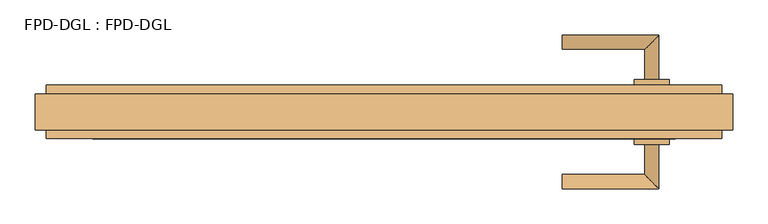
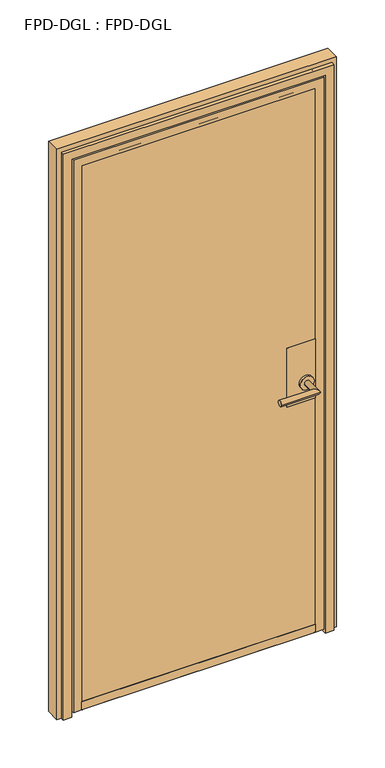
"""IFC4 building model written with IfcOpenShell, lengths in millimetres: door geometry, FPD-DGL : FPD-DGL."""

import ifcopenshell
import ifcopenshell.guid

model = None  # the IFC model being written
_history = None  # IfcOwnerHistory: only IFC2X3 demands one
_inside = {}  # id of a spatial element -> (the spatial element, [elements in it])
_under = {}  # id of a project, library or spatial element -> (it, [spatial elements below it])
_declared = {}  # id of a project -> (the project, [libraries it declares])
_typed = {}  # id of a type object -> (the type object, [elements of that type])
_made_of = {}  # id of a material, layer set ... -> (it, [elements and type objects made of it])


def new_model(schema):
    """Start an empty IFC model of exactly this schema.

    Asked for "IFC4X3", IfcOpenShell would pick the latest addendum, in which some entities
    have other attributes; the version numbers below select the first issue.
    IFC2X3 requires an IfcOwnerHistory on every rooted entity: one is made here for all.
    """
    global model, _history
    if schema == "IFC4X3":
        model = ifcopenshell.file(schema_version=(4, 3, 0, 0))
    else:
        model = ifcopenshell.file(schema=schema)
    _inside.clear()
    _under.clear()
    _declared.clear()
    _typed.clear()
    _made_of.clear()
    _history = None
    if model.schema == "IFC2X3":
        org = make("IfcOrganization", Name="unknown")
        user = make(
            "IfcPersonAndOrganization",
            ThePerson=make("IfcPerson", FamilyName="unknown"),
            TheOrganization=org,
        )
        app = make(
            "IfcApplication",
            ApplicationDeveloper=org,
            Version="unknown",
            ApplicationFullName="unknown",
            ApplicationIdentifier="unknown",
        )
        _history = make(
            "IfcOwnerHistory",
            OwningUser=user,
            OwningApplication=app,
            ChangeAction="ADDED",
            CreationDate=0,
        )
    return model


def make(cls, **values):
    """One entity of the class cls with the attributes given. An attribute that is None is left unset."""
    return model.create_entity(
        cls, **{name: value for name, value in values.items() if value is not None}
    )


def rooted(cls, **values):
    """An entity with a GlobalId (a new one), such as an element, a storey or a relation."""
    return make(cls, GlobalId=ifcopenshell.guid.new(), OwnerHistory=_history, **values)


def si_unit(unit_type, name, prefix=None):
    """IfcSIUnit, for example si_unit("LENGTHUNIT", "METRE", prefix="MILLI")."""
    return make("IfcSIUnit", UnitType=unit_type, Prefix=prefix, Name=name)


def assignment(units):
    """IfcUnitAssignment: the units of a project."""
    return None if units is None else make("IfcUnitAssignment", Units=units)


def point(xyz):
    """IfcCartesianPoint."""
    return None if xyz is None else make("IfcCartesianPoint", Coordinates=xyz)


def direction(xyz):
    """IfcDirection."""
    return None if xyz is None else make("IfcDirection", DirectionRatios=xyz)


def frame(location, z_axis=None, x_axis=None):
    """IfcAxis2Placement3D, a coordinate frame: its origin and axes. An axis left out is left unset."""
    return make(
        "IfcAxis2Placement3D",
        Location=point(location),
        Axis=direction(z_axis),
        RefDirection=direction(x_axis),
    )


def frame_2d(location, x_axis=None):
    """IfcAxis2Placement2D, a coordinate frame in the plane: its origin and x axis."""
    return make(
        "IfcAxis2Placement2D", Location=point(location), RefDirection=direction(x_axis)
    )


def origin():
    """The frame at (0, 0, 0) with its axes left unset."""
    return frame((0.0, 0.0, 0.0))


def place(relative_to, where):
    """IfcLocalPlacement: puts the frame where relative to a parent placement (None: the world)."""
    return make(
        "IfcLocalPlacement", PlacementRelTo=relative_to, RelativePlacement=where
    )


def context(
    kind, dimensions, precision=None, world=None, true_north=None, identifier=None
):
    """IfcGeometricRepresentationContext, for example the 3D "Model" context."""
    return make(
        "IfcGeometricRepresentationContext",
        ContextIdentifier=identifier,
        ContextType=kind,
        CoordinateSpaceDimension=dimensions,
        Precision=precision,
        WorldCoordinateSystem=world,
        TrueNorth=true_north,
    )


def project(units=None, contexts=None):
    """IfcProject with its units and contexts."""
    return rooted(
        "IfcProject",
        Name="project",
        RepresentationContexts=contexts,
        UnitsInContext=assignment(units),
    )


def spatial(cls, under=None, at=None, **own):
    """A site, building, storey or space (cls), placed at a placement, below another one or the project."""
    s = rooted(cls, ObjectPlacement=at, **own)
    if under is not None:
        _under.setdefault(under.id(), (under, []))[1].append(s)
    return s


def polyline(points):
    """IfcPolyline through the points."""
    return make("IfcPolyline", Points=[point(p) for p in points])


def circle_curve(where, radius):
    """IfcCircle in the frame where."""
    return make("IfcCircle", Position=where, Radius=radius)


def ellipse_curve(where, semi_axis1, semi_axis2):
    """IfcEllipse in the frame where."""
    return make(
        "IfcEllipse", Position=where, SemiAxis1=semi_axis1, SemiAxis2=semi_axis2
    )


def trimmed(basis, trim1, trim2, sense, master):
    """IfcTrimmedCurve: the piece of a basis curve between two trims."""
    return make(
        "IfcTrimmedCurve",
        BasisCurve=basis,
        Trim1=trim1,
        Trim2=trim2,
        SenseAgreement=sense,
        MasterRepresentation=master,
    )


def segment(curve, same_sense, transition):
    """IfcCompositeCurveSegment."""
    return make(
        "IfcCompositeCurveSegment",
        Transition=transition,
        SameSense=same_sense,
        ParentCurve=curve,
    )


def composite_curve(segments, self_intersect=None):
    """IfcCompositeCurve: segments joined end to end."""
    return make("IfcCompositeCurve", Segments=segments, SelfIntersect=self_intersect)


def outline(outer, holes=None, kind="AREA"):
    """IfcArbitraryClosedProfileDef: a profile drawn as a closed curve; with holes, ...WithVoids."""
    if holes is None:
        return make("IfcArbitraryClosedProfileDef", ProfileType=kind, OuterCurve=outer)
    return make(
        "IfcArbitraryProfileDefWithVoids",
        ProfileType=kind,
        OuterCurve=outer,
        InnerCurves=holes,
    )


def extrude(swept, where, along, depth):
    """IfcExtrudedAreaSolid: the profile swept, set in the frame where, extruded along a direction by depth."""
    return make(
        "IfcExtrudedAreaSolid",
        SweptArea=swept,
        Position=where,
        ExtrudedDirection=direction(along),
        Depth=depth,
    )


def shape(context_of_items, identifier, shape_type, items):
    """IfcShapeRepresentation: the items that make up one representation, for example the "Body"."""
    return make(
        "IfcShapeRepresentation",
        ContextOfItems=context_of_items,
        RepresentationIdentifier=identifier,
        RepresentationType=shape_type,
        Items=items,
    )


def source(mapping_origin, context_of_items, identifier, shape_type, items):
    """IfcRepresentationMap: a shape defined once, which mapped items show again and again."""
    return make(
        "IfcRepresentationMap",
        MappingOrigin=mapping_origin,
        MappedRepresentation=shape(context_of_items, identifier, shape_type, items),
    )


def transform(
    local_origin,
    x_axis=None,
    y_axis=None,
    z_axis=None,
    scale=None,
    scale2=None,
    scale3=None,
    uniform=True,
):
    """IfcCartesianTransformationOperator3D, or its non-uniform kind. x_axis, y_axis, z_axis: its Axis1, 2, 3."""
    if uniform:
        return make(
            "IfcCartesianTransformationOperator3D",
            Axis1=direction(x_axis),
            Axis2=direction(y_axis),
            LocalOrigin=point(local_origin),
            Scale=scale,
            Axis3=direction(z_axis),
        )
    return make(
        "IfcCartesianTransformationOperator3DnonUniform",
        Axis1=direction(x_axis),
        Axis2=direction(y_axis),
        LocalOrigin=point(local_origin),
        Scale=scale,
        Axis3=direction(z_axis),
        Scale2=scale2,
        Scale3=scale3,
    )


def mapped(mapping_source, mapping_target):
    """IfcMappedItem: shows the shape of a source again, moved by a transform."""
    return make(
        "IfcMappedItem", MappingSource=mapping_source, MappingTarget=mapping_target
    )


def made_of(thing, what):
    """Note that an element or type object is made of a material, layer set ...; save() writes the relation."""
    if what is not None:
        _made_of.setdefault(what.id(), (what, []))[1].append(thing)
    return thing


def element(
    cls,
    number,
    at=None,
    inside=None,
    cuts=None,
    type_object=None,
    material=None,
    context=None,
    identifier="Body",
    shape_type=None,
    held_by="IfcProductDefinitionShape",
    body=None,
    shapes=None,
    **own,
):
    """One element of the class cls, such as IfcWall. Its Tag is "e" and its number.

    at: its placement. inside: the storey or other place that contains it. cuts: it is an
    opening in that element (IfcRelVoidsElement). A single representation is given by context,
    identifier, shape_type and body (its items); several are given by shapes. held_by: the class
    of the entity that holds the representations. save() writes the other relations.
    """
    e = rooted(cls, Tag="e%d" % number, ObjectPlacement=at, **own)
    if body is not None:
        shapes = [shape(context, identifier, shape_type, body)]
    if shapes is not None:
        e.Representation = make(held_by, Representations=shapes)
    if inside is not None:
        _inside.setdefault(inside.id(), (inside, []))[1].append(e)
    if cuts is not None:
        rooted(
            "IfcRelVoidsElement", RelatingBuildingElement=cuts, RelatedOpeningElement=e
        )
    if type_object is not None:
        _typed.setdefault(type_object.id(), (type_object, []))[1].append(e)
    return made_of(e, material)


def aggregate(whole, parts):
    """IfcRelAggregates: a whole, such as a stair, and the parts it consists of."""
    return rooted("IfcRelAggregates", RelatingObject=whole, RelatedObjects=parts)


def save(model, path):
    """Write the relations noted so far, then the file.

    IfcRelAggregates (storeys below a building ...), IfcRelContainedInSpatialStructure (elements
    in a storey), IfcRelDefinesByType, IfcRelAssociatesMaterial and IfcRelDeclares: one each for
    every whole, place, type object, material and project.
    """
    for whole, parts in _under.values():
        aggregate(whole, parts)
    for where, things in _inside.values():
        rooted(
            "IfcRelContainedInSpatialStructure",
            RelatedElements=things,
            RelatingStructure=where,
        )
    for kind, things in _typed.values():
        rooted("IfcRelDefinesByType", RelatedObjects=things, RelatingType=kind)
    for what, things in _made_of.values():
        rooted("IfcRelAssociatesMaterial", RelatedObjects=things, RelatingMaterial=what)
    for by, libraries in _declared.values():
        rooted("IfcRelDeclares", RelatingContext=by, RelatedDefinitions=libraries)
    model.write(path)


def plane_surface(at):
    """IfcPlane: the flat surface through the origin of the frame at, square to its z axis."""
    return make("IfcPlane", Position=at)


def cylinder_surface(at, radius):
    """IfcCylindricalSurface: all points at the distance radius from the z axis of the frame at."""
    return make("IfcCylindricalSurface", Position=at, Radius=radius)


def revolved_surface(curve, axis_point, axis_direction):
    """IfcSurfaceOfRevolution: the curve turned about the line through axis_point along axis_direction."""
    return make(
        "IfcSurfaceOfRevolution",
        SweptCurve=make("IfcArbitraryOpenProfileDef", ProfileType="CURVE", Curve=curve),
        AxisPosition=make("IfcAxis1Placement", Location=point(axis_point), Axis=direction(axis_direction)),
    )


def advanced_brep(points, edges, surfaces, faces):
    """IfcAdvancedBrep: a solid bounded by faces that lie on surfaces and meet in shared edges.

    An edge is (start, end): straight between two places in points (the first is 0);
    or (start, end, curve); or (start, end, curve, False) where it runs against its curve.
    A face is (place in surfaces, loops), or (place, loops, False) where it looks against
    its surface's normal. A loop lists edges by number (the first is 1), with a minus sign
    where the edge is run from its end to its start. The first loop is the outer one.
    """
    corners = [point(p) for p in points]
    vertices = [make("IfcVertexPoint", VertexGeometry=c) for c in corners]
    made = []
    for start, end, *more in edges:
        made.append(
            make(
                "IfcEdgeCurve",
                EdgeStart=vertices[start],
                EdgeEnd=vertices[end],
                EdgeGeometry=more[0] if more else make("IfcPolyline", Points=[corners[start], corners[end]]),
                SameSense=more[1] if len(more) > 1 else True,
            )
        )
    hull = []
    for where, loops, *sense in faces:
        bounds = []
        for j, loop in enumerate(loops):
            ring = [make("IfcOrientedEdge", EdgeElement=made[abs(k) - 1], Orientation=k > 0) for k in loop]
            bounds.append(
                make(
                    "IfcFaceOuterBound" if j == 0 else "IfcFaceBound",
                    Bound=make("IfcEdgeLoop", EdgeList=ring),
                    Orientation=True,
                )
            )
        hull.append(make("IfcAdvancedFace", Bounds=bounds, FaceSurface=surfaces[where], SameSense=sense[0] if sense else True))
    return make("IfcAdvancedBrep", Outer=make("IfcClosedShell", CfsFaces=hull))


def fpd_dgl_fpd_dgl_16b67cd0(model_context):
    return source(origin(), model_context, "Body", "SolidModel", [
        advanced_brep(
        [(253.353479, 90.4685221, 965.2), (253.353479, 110.5404656, 965.2), (370.2031194, 90.4685221, 965.2), (390.275063, 110.5404656, 965.2), (370.2031194, 47.8342733, 965.2), (390.275063, 47.8342733, 965.2)],
        [
            (0, 1, circle_curve(frame((253.353479, 100.5044938, 965.2), z_axis=(-1.0, 0.0, 0.0), x_axis=(0.0, 1.0, 0.0)), 10.0359718)),
            (1, 0, circle_curve(frame((253.353479, 100.5044938, 965.2), z_axis=(-1.0, 0.0, 0.0), x_axis=(0.0, 1.0, 0.0)), 10.0359718)),
            (0, 2),
            (2, 3, ellipse_curve(frame((380.2390912, 100.5044938, 965.2), z_axis=(-0.7071067811865464, 0.7071067811865488, 0.0), x_axis=(-0.7071067811865487, -0.7071067811865464, 0.0)), 14.1930074, 10.0359718)),
            (3, 1),
            (3, 2, ellipse_curve(frame((380.2390912, 100.5044938, 965.2), z_axis=(-0.7071067811865464, 0.7071067811865488, 0.0), x_axis=(-0.7071067811865487, -0.7071067811865464, 0.0)), 14.1930074, 10.0359718)),
            (4, 5, circle_curve(frame((380.2390912, 47.8342733, 965.2), z_axis=(0.0, -1.0, 0.0), x_axis=(1.0, 0.0, 0.0)), 10.0359718)),
            (5, 4, circle_curve(frame((380.2390912, 47.8342733, 965.2), z_axis=(0.0, -1.0, 0.0), x_axis=(1.0, 0.0, 0.0)), 10.0359718)),
            (2, 4),
            (5, 3),
        ],
        [
            plane_surface(frame((253.353479, 100.5044938, 965.2), z_axis=(-1.0, 0.0, 0.0), x_axis=(0.0, 0.0, 1.0))),
            cylinder_surface(frame((253.353479, 100.5044938, 965.2), z_axis=(-1.0, 0.0, 0.0), x_axis=(0.0, 1.0, 0.0)), 10.0359718),
            plane_surface(frame((380.2390912, 47.8342733, 965.2), z_axis=(0.0, -1.0, 0.0), x_axis=(0.0, 0.0, 1.0))),
            cylinder_surface(frame((380.2390912, 100.5044938, 965.2), z_axis=(0.0, 1.0, 0.0), x_axis=(1.0, 0.0, 0.0)), 10.0359718),
        ],
        [
            (0, [[1, 2]]),
            (1, [[-1, 3, 4, 5]]),
            (1, [[-2, -5, 6, -3]]),
            (2, [[7, 8]]),
            (3, [[-4, 9, -8, 10]]),
            (3, [[-6, -10, -7, -9]]),
        ],
    ),
        advanced_brep(
        [(370.2031194, -45.029812, 965.2), (390.275063, -45.029812, 965.2), (370.2031194, -87.6640607, 965.2), (390.275063, -107.7360043, 965.2), (253.353479, -87.6640607, 965.2), (253.353479, -107.7360043, 965.2)],
        [
            (0, 1, circle_curve(frame((380.2390912, -45.029812, 965.2), z_axis=(0.0, 1.0, 0.0), x_axis=(1.0, 0.0, 0.0)), 10.0359718)),
            (1, 0, circle_curve(frame((380.2390912, -45.029812, 965.2), z_axis=(0.0, 1.0, 0.0), x_axis=(1.0, 0.0, 0.0)), 10.0359718)),
            (0, 2),
            (2, 3, ellipse_curve(frame((380.2390912, -97.7000325, 965.2), z_axis=(0.7071067811865487, 0.7071067811865464, 0.0), x_axis=(-0.7071067811865464, 0.7071067811865487, 0.0)), 14.1930074, 10.0359718)),
            (3, 1),
            (3, 2, ellipse_curve(frame((380.2390912, -97.7000325, 965.2), z_axis=(0.7071067811865487, 0.7071067811865464, 0.0), x_axis=(-0.7071067811865464, 0.7071067811865487, 0.0)), 14.1930074, 10.0359718)),
            (4, 5, circle_curve(frame((253.353479, -97.7000325, 965.2), z_axis=(-1.0, 0.0, 0.0), x_axis=(0.0, -1.0, 0.0)), 10.0359718)),
            (5, 4, circle_curve(frame((253.353479, -97.7000325, 965.2), z_axis=(-1.0, 0.0, 0.0), x_axis=(0.0, -1.0, 0.0)), 10.0359718)),
            (2, 4),
            (5, 3),
        ],
        [
            plane_surface(frame((380.2390912, -45.029812, 965.2), z_axis=(0.0, 1.0, 0.0), x_axis=(0.0, 0.0, 1.0))),
            cylinder_surface(frame((380.2390912, -45.029812, 965.2), z_axis=(0.0, 1.0, 0.0), x_axis=(1.0, 0.0, 0.0)), 10.0359718),
            plane_surface(frame((253.353479, -97.7000325, 965.2), z_axis=(-1.0, 0.0, 0.0), x_axis=(0.0, 0.0, 1.0))),
            cylinder_surface(frame((380.2390912, -97.7000325, 965.2), z_axis=(1.0, 0.0, 0.0), x_axis=(0.0, -1.0, 0.0)), 10.0359718),
        ],
        [
            (0, [[1, 2]]),
            (1, [[-1, 3, 4, 5]]),
            (1, [[-2, -5, 6, -3]]),
            (2, [[7, 8]]),
            (3, [[-4, 9, -8, 10]]),
            (3, [[-6, -10, -7, -9]]),
        ],
    ),
        extrude(outline(composite_curve([segment(trimmed(circle_curve(frame_2d((965.2, 380.2390912)), 24.60625), [point((965.2, 355.6328412))], [point((965.2, 404.8453412))], False, "CARTESIAN"), True, "CONTINUOUS"), segment(trimmed(circle_curve(frame_2d((965.2, 380.2390912)), 24.60625), [point((965.2, 404.8453412))], [point((965.2, 355.6328412))], False, "CARTESIAN"), True, "CONTINUOUS")], self_intersect=False)), frame((0.0, -45.029812, 0.0), z_axis=(0.0, 1.0, 0.0), x_axis=(0.0, 0.0, 1.0)), (0.0, 0.0, 1.0), 8.3298107),
        extrude(outline(composite_curve([segment(trimmed(circle_curve(frame_2d((965.2, 380.2390912)), 24.60625), [point((965.2, 355.6328412))], [point((965.2, 404.8453412))], False, "CARTESIAN"), True, "CONTINUOUS"), segment(trimmed(circle_curve(frame_2d((965.2, 380.2390912)), 24.60625), [point((965.2, 404.8453412))], [point((965.2, 355.6328412))], False, "CARTESIAN"), True, "CONTINUOUS")], self_intersect=False)), frame((0.0, 39.4999971, 0.0), z_axis=(0.0, 1.0, 0.0), x_axis=(0.0, 0.0, 1.0)), (0.0, 0.0, 1.0), 8.3342763),
        extrude(outline(polyline([(413.7391512, -36.7000013), (313.7390386, -36.7000013), (313.7390386, -35.3000043), (413.7391512, -35.3000043), (413.7391512, -36.7000013)])), frame((0.0, 0.0, 893.55), z_axis=(0.0, 0.0, 1.0), x_axis=(1.0, 0.0, 0.0)), (0.0, 0.0, 1.0), 220.0),
        extrude(outline(polyline([(413.7391512, 38.1), (313.7390386, 38.1), (313.7390386, 39.4999971), (413.7391512, 39.4999971), (413.7391512, 38.1)])), frame((0.0, 0.0, 893.55), z_axis=(0.0, 0.0, 1.0), x_axis=(1.0, 0.0, 0.0)), (0.0, 0.0, 1.0), 220.0),
        extrude(outline(composite_curve([segment(polyline([(-26.873593, 45.8749402), (29.3264566, 45.8749402), (29.3264566, 35.2749614), (37.6994368, 35.2749614)]), True, "CONTINUOUS"), segment(trimmed(circle_curve(frame_2d((37.6994368, 35.7749604)), 0.499999), [point((37.6994368, 35.2749614))], [point((38.1994358, 35.7749604))], True, "CARTESIAN"), True, "CONTINUOUS"), segment(polyline([(38.1994358, 35.7749604), (38.1994358, 43.0952796), (38.0994361, 44.0749434), (38.0994361, 45.8749398), (39.3264365, 45.8749398), (39.3264365, 15.875), (-36.0735651, 15.875)]), True, "CONTINUOUS"), segment(trimmed(circle_curve(frame_2d((-36.0735651, 16.6749984)), 0.7999984), [point((-36.0735651, 15.875))], [point((-36.8735635, 16.6749984))], False, "CARTESIAN"), True, "CONTINUOUS"), segment(polyline([(-36.8735635, 16.6749984), (-36.8735635, 45.8749402), (-35.4735665, 45.8749402), (-35.4735665, 44.0749434), (-35.5735662, 43.0952791), (-35.5735662, 35.2749613), (-26.873593, 35.2749613), (-26.873593, 45.8749402)]), True, "CONTINUOUS")], self_intersect=False)), frame((-413.7391512, 0.0, 0.0), z_axis=(1.0, 0.0, 0.0), x_axis=(0.0, 1.0, 0.0)), (0.0, 0.0, 1.0), 827.4783024),
        extrude(outline(polyline([(424.3353224, 38.1), (424.3353224, 30.1625), (-424.3353224, 30.1625), (-424.3353224, 38.1), (424.3353224, 38.1)])), frame((0.0, 0.0, 35.2749614), z_axis=(0.0, 0.0, 1.0), x_axis=(1.0, 0.0, 0.0)), (0.0, 0.0, 1.0), 2027.360361),
        extrude(outline(polyline([(424.3353224, -27.5360664), (424.3353224, -35.4735664), (-424.3353224, -35.4735664), (-424.3353224, -27.5360664), (424.3353224, -27.5360664)])), frame((0.0, 0.0, 35.2749614), z_axis=(0.0, 0.0, 1.0), x_axis=(1.0, 0.0, 0.0)), (0.0, 0.0, 1.0), 2027.360361),
        advanced_brep(
        [(443.7283146, -36.773661, 15.875), (413.7391512, -36.773661, 15.875), (413.7391512, -35.4741304, 15.875), (424.3353224, -35.4741304, 15.875), (424.3353224, -26.7772734, 15.875), (413.7391512, -26.7772734, 15.875), (413.7391512, 29.4025787, 15.875), (424.3353223, 29.4025787, 15.875), (424.3353223, 38.0994361, 15.875), (413.7391512, 38.0994361, 15.875), (413.7391512, 39.3989664, 15.875), (432.6139413, 39.3989664, 15.875), (433.4136523, 38.5992554, 15.875), (433.4136523, 15.2497043, 15.875), (443.7283146, 15.2497043, 15.875), (443.7283146, -36.773661, 2082.0283146), (-443.7283146, -36.773661, 2082.0283146), (-443.7283146, -36.773661, 15.875), (-413.7391512, -36.773661, 15.875), (-413.7391512, -36.773661, 2052.0391512), (413.7391512, -36.773661, 2052.0391512), (413.7391512, -35.4741304, 2052.0391512), (-413.7391512, -35.4741304, 2052.0391512), (-413.7391512, -35.4741304, 15.875), (-424.3353224, -35.4741304, 15.875), (-424.3353224, -35.4741304, 2062.6353224), (424.3353224, -35.4741304, 2062.6353224), (424.3353224, -26.7772734, 2062.6353224), (-424.3353224, -26.7772734, 2062.6353224), (-424.3353224, -26.7772734, 15.875), (-413.7391512, -26.7772734, 15.875), (-413.7391512, -26.7772734, 2052.0391512), (413.7391512, -26.7772734, 2052.0391512), (413.7391512, 29.4025787, 2052.0391512), (-413.7391512, 29.4025787, 2052.0391512), (-413.7391512, 29.4025787, 15.875), (-424.3353223, 29.4025787, 15.875), (-424.3353223, 29.4025787, 2062.6353223), (424.3353223, 29.4025787, 2062.6353223), (424.3353223, 38.0994361, 2062.6353223), (-424.3353223, 38.0994361, 2062.6353223), (-424.3353223, 38.0994361, 15.875), (-413.7391512, 38.0994361, 15.875), (-413.7391512, 38.0994361, 2052.0391512), (413.7391512, 38.0994361, 2052.0391512), (413.7391512, 39.3989664, 2052.0391512), (-413.7391512, 39.3989664, 2052.0391512), (-413.7391512, 39.3989664, 15.875), (-432.6139413, 39.3989664, 15.875), (-432.6139413, 39.3989664, 2070.9139413), (432.6139413, 39.3989664, 2070.9139413), (433.4136523, 38.5992554, 2071.7136523), (433.4136523, 15.2497043, 2071.7136523), (-433.4136523, 15.2497043, 2071.7136523), (-433.4136523, 15.2497043, 15.875), (-443.7283146, 15.2497043, 15.875), (-443.7283146, 15.2497043, 2082.0283146), (443.7283146, 15.2497043, 2082.0283146), (-433.4136523, 38.5992554, 15.875), (-433.4136523, 38.5992554, 2071.7136523)],
        [
            (0, 1),
            (1, 2),
            (2, 3),
            (3, 4),
            (4, 5),
            (5, 6),
            (6, 7),
            (7, 8),
            (8, 9),
            (9, 10),
            (10, 11),
            (11, 12, circle_curve(frame((432.6139413, 38.5992554, 15.875), z_axis=(0.0, 0.0, -1.0), x_axis=(0.0, -1.0, 0.0)), 0.799711)),
            (12, 13),
            (13, 14),
            (14, 0),
            (0, 15),
            (15, 16),
            (16, 17),
            (17, 18),
            (18, 19),
            (19, 20),
            (20, 1),
            (20, 21),
            (21, 2),
            (21, 22),
            (22, 23),
            (23, 24),
            (24, 25),
            (25, 26),
            (26, 3),
            (26, 27),
            (27, 4),
            (27, 28),
            (28, 29),
            (29, 30),
            (30, 31),
            (31, 32),
            (32, 5),
            (32, 33),
            (33, 6),
            (33, 34),
            (34, 35),
            (35, 36),
            (36, 37),
            (37, 38),
            (38, 7),
            (38, 39),
            (39, 8),
            (39, 40),
            (40, 41),
            (41, 42),
            (42, 43),
            (43, 44),
            (44, 9),
            (44, 45),
            (45, 10),
            (45, 46),
            (46, 47),
            (47, 48),
            (48, 49),
            (49, 50),
            (50, 11),
            (50, 51, ellipse_curve(frame((432.6139413, 38.5992554, 2070.9139413), z_axis=(0.7071067811865475, 0.0, -0.7071067811865475), x_axis=(-0.7071067811865474, 0.0, -0.7071067811865476)), 1.1309622, 0.799711)),
            (51, 12),
            (51, 52),
            (52, 13),
            (52, 53),
            (53, 54),
            (54, 55),
            (55, 56),
            (56, 57),
            (57, 14),
            (57, 15),
            (17, 55),
            (54, 58),
            (58, 48, circle_curve(frame((-432.6139413, 38.5992554, 15.875), z_axis=(0.0, 0.0, -1.0), x_axis=(0.0, -1.0, 0.0)), 0.799711)),
            (47, 42),
            (41, 36),
            (35, 30),
            (29, 24),
            (23, 18),
            (16, 56),
            (53, 59),
            (59, 58),
            (59, 49, ellipse_curve(frame((-432.6139413, 38.5992554, 2070.9139413), z_axis=(-0.7071067811865475, 0.0, -0.7071067811865475), x_axis=(-0.7071067811865474, 0.0, 0.7071067811865476)), 1.1309622, 0.799711)),
            (46, 43),
            (40, 37),
            (34, 31),
            (28, 25),
            (22, 19),
            (59, 51),
        ],
        [
            plane_surface(frame((495.3, 1.3129348, 15.875), z_axis=(0.0, 0.0, -1.0), x_axis=(0.0, -1.0, 0.0))),
            plane_surface(frame((443.7283146, -36.773661, 15.875), z_axis=(0.0, -1.0, 0.0), x_axis=(0.0, 0.0, 1.0))),
            plane_surface(frame((413.7391512, -36.773661, 15.875), z_axis=(-1.0, 0.0, 0.0), x_axis=(0.0, 0.0, 1.0))),
            plane_surface(frame((413.7391512, -35.4741304, 15.875), z_axis=(0.0, 1.0, 0.0), x_axis=(0.0, 0.0, 1.0))),
            plane_surface(frame((424.3353224, -35.4741304, 15.875), z_axis=(-1.0, 0.0, 0.0), x_axis=(0.0, 0.0, 1.0))),
            plane_surface(frame((424.3353224, -26.7772734, 15.875), z_axis=(0.0, -1.0, 0.0), x_axis=(0.0, 0.0, 1.0))),
            plane_surface(frame((413.7391512, -26.7772734, 15.875), z_axis=(-1.0, 0.0, 0.0), x_axis=(0.0, 0.0, 1.0))),
            plane_surface(frame((413.7391512, 29.4025787, 15.875), z_axis=(0.0, 1.0, 0.0), x_axis=(0.0, 0.0, 1.0))),
            plane_surface(frame((424.3353223, 29.4025787, 15.875), z_axis=(-1.0, 0.0, 0.0), x_axis=(0.0, 0.0, 1.0))),
            plane_surface(frame((424.3353223, 38.0994361, 15.875), z_axis=(0.0, -1.0, 0.0), x_axis=(0.0, 0.0, 1.0))),
            plane_surface(frame((413.7391512, 38.0994361, 15.875), z_axis=(-1.0, 0.0, 0.0), x_axis=(0.0, 0.0, 1.0))),
            plane_surface(frame((413.7391512, 39.3989664, 15.875), z_axis=(0.0, 1.0, 0.0), x_axis=(0.0, 0.0, 1.0))),
            cylinder_surface(frame((432.6139413, 38.5992554, 15.875), z_axis=(0.0, 0.0, -1.0), x_axis=(0.0, -1.0, 0.0)), 0.799711),
            plane_surface(frame((433.4136523, 38.5992554, 15.875), z_axis=(1.0, 0.0, 0.0), x_axis=(0.0, 0.0, 1.0))),
            plane_surface(frame((433.4136523, 15.2497043, 15.875), z_axis=(0.0, 1.0, 0.0), x_axis=(0.0, 0.0, 1.0))),
            plane_surface(frame((443.7283146, 15.2497043, 15.875), z_axis=(1.0, 0.0, 0.0), x_axis=(0.0, 0.0, 1.0))),
            plane_surface(frame((-495.3, 1.3129348, 15.875), z_axis=(0.0, 0.0, -1.0), x_axis=(0.0, -1.0, 0.0))),
            plane_surface(frame((-443.7283146, 15.2497043, 2082.0283146), z_axis=(-1.0, 0.0, 0.0), x_axis=(0.0, 0.0, -1.0))),
            plane_surface(frame((-433.4136523, 38.5992554, 2071.7136523), z_axis=(-1.0, 0.0, 0.0), x_axis=(0.0, 0.0, -1.0))),
            cylinder_surface(frame((-432.6139413, 38.5992554, 2133.6), z_axis=(0.0, 0.0, 1.0), x_axis=(0.0, -1.0, 0.0)), 0.799711),
            plane_surface(frame((-413.7391512, 38.0994361, 2052.0391512), z_axis=(1.0, 0.0, 0.0), x_axis=(0.0, 0.0, -1.0))),
            plane_surface(frame((-424.3353223, 29.4025787, 2062.6353223), z_axis=(1.0, 0.0, 0.0), x_axis=(0.0, 0.0, -1.0))),
            plane_surface(frame((-413.7391512, -26.7772734, 2052.0391512), z_axis=(1.0, 0.0, 0.0), x_axis=(0.0, 0.0, -1.0))),
            plane_surface(frame((-424.3353224, -35.4741304, 2062.6353224), z_axis=(1.0, 0.0, 0.0), x_axis=(0.0, 0.0, -1.0))),
            plane_surface(frame((-413.7391512, -36.773661, 2052.0391512), z_axis=(1.0, 0.0, 0.0), x_axis=(0.0, 0.0, -1.0))),
            plane_surface(frame((413.7391512, -36.773661, 2052.0391512), z_axis=(0.0, 0.0, -1.0), x_axis=(-1.0, 0.0, 0.0))),
            plane_surface(frame((424.3353224, -35.4741304, 2062.6353224), z_axis=(0.0, 0.0, -1.0), x_axis=(-1.0, 0.0, 0.0))),
            plane_surface(frame((413.7391512, -26.7772734, 2052.0391512), z_axis=(0.0, 0.0, -1.0), x_axis=(-1.0, 0.0, 0.0))),
            plane_surface(frame((424.3353223, 29.4025787, 2062.6353223), z_axis=(0.0, 0.0, -1.0), x_axis=(-1.0, 0.0, 0.0))),
            plane_surface(frame((413.7391512, 38.0994361, 2052.0391512), z_axis=(0.0, 0.0, -1.0), x_axis=(-1.0, 0.0, 0.0))),
            cylinder_surface(frame((495.3, 38.5992554, 2070.9139413), z_axis=(1.0, 0.0, 0.0), x_axis=(0.0, -1.0, 0.0)), 0.799711),
            plane_surface(frame((433.4136523, 38.5992554, 2071.7136523), z_axis=(0.0, 0.0, 1.0), x_axis=(-1.0, 0.0, 0.0))),
            plane_surface(frame((443.7283146, 15.2497043, 2082.0283146), z_axis=(0.0, 0.0, 1.0), x_axis=(-1.0, 0.0, 0.0))),
        ],
        [
            (0, [[1, 2, 3, 4, 5, 6, 7, 8, 9, 10, 11, 12, 13, 14, 15]]),
            (1, [[-1, 16, 17, 18, 19, 20, 21, 22]]),
            (2, [[-2, -22, 23, 24]]),
            (3, [[-3, -24, 25, 26, 27, 28, 29, 30]]),
            (4, [[-4, -30, 31, 32]]),
            (5, [[-5, -32, 33, 34, 35, 36, 37, 38]]),
            (6, [[-6, -38, 39, 40]]),
            (7, [[-7, -40, 41, 42, 43, 44, 45, 46]]),
            (8, [[-8, -46, 47, 48]]),
            (9, [[-9, -48, 49, 50, 51, 52, 53, 54]]),
            (10, [[-10, -54, 55, 56]]),
            (11, [[-11, -56, 57, 58, 59, 60, 61, 62]]),
            (12, [[-12, -62, 63, 64]]),
            (13, [[-13, -64, 65, 66]]),
            (14, [[-14, -66, 67, 68, 69, 70, 71, 72]]),
            (15, [[-15, -72, 73, -16]]),
            (16, [[74, -69, 75, 76, -59, 77, -51, 78, -43, 79, -35, 80, -27, 81, -19]]),
            (17, [[82, -70, -74, -18]]),
            (18, [[83, 84, -75, -68]]),
            (19, [[85, -60, -76, -84]]),
            (20, [[86, -52, -77, -58]]),
            (21, [[87, -44, -78, -50]]),
            (22, [[88, -36, -79, -42]]),
            (23, [[89, -28, -80, -34]]),
            (24, [[90, -20, -81, -26]]),
            (25, [[-23, -21, -90, -25]]),
            (26, [[-31, -29, -89, -33]]),
            (27, [[-39, -37, -88, -41]]),
            (28, [[-47, -45, -87, -49]]),
            (29, [[-55, -53, -86, -57]]),
            (30, [[-63, -61, -85, 91]]),
            (31, [[-65, -91, -83, -67]]),
            (32, [[-73, -71, -82, -17]]),
        ],
    ),
        advanced_brep(
        [(449.2825687, -36.7733949, 0.0), (449.2825687, 15.2860271, 0.0), (448.3580671, 15.2860271, 0.0), (448.3580671, 18.9028642, 0.0), (439.0163882, 18.9028642, 0.0), (438.4560471, 19.4632053, 0.0), (438.4560471, 26.1478604, 0.0), (439.0164807, 26.7082939, 0.0), (448.7238697, 26.7082939, 0.0), (449.2836545, 27.2680787, 0.0), (449.2836545, 39.3989331, 0.0), (479.4306354, 39.3989331, 0.0), (479.4306354, 26.7038106, 0.0), (495.3, 26.7038106, 0.0), (495.3, -24.077941, 0.0), (479.4306354, -24.077941, 0.0), (479.4398079, -36.7733949, 0.0), (449.2825687, -36.7733949, 2087.5825687), (449.2825687, 15.2860271, 2087.5825687), (-449.2825687, 15.2860271, 2087.5825687), (-449.2825687, 15.2860271, 0.0), (-448.3580671, 15.2860271, 0.0), (-448.3580671, 15.2860271, 2086.6580671), (448.3580671, 15.2860271, 2086.6580671), (448.3580671, 18.9028642, 2086.6580671), (-448.3580671, 18.9028642, 2086.6580671), (-448.3580671, 18.9028642, 0.0), (-439.0163882, 18.9028642, 0.0), (-439.0163882, 18.9028642, 2077.3163882), (439.0163882, 18.9028642, 2077.3163882), (438.4560471, 19.4632053, 2076.7560471), (438.4560471, 26.1478604, 2076.7560471), (439.0164807, 26.7082939, 2077.3164807), (-439.0164807, 26.7082939, 2077.3164807), (-439.0164807, 26.7082939, 0.0), (-448.7238697, 26.7082939, 0.0), (-448.7238697, 26.7082939, 2087.0238697), (448.7238697, 26.7082939, 2087.0238697), (449.2836545, 27.2680787, 2087.5836545), (449.2836545, 39.3989331, 2087.5836545), (-449.2825687, -36.7733949, 0.0), (-479.4398079, -36.7733949, 0.0), (-479.4306354, -24.077941, 0.0), (-495.3, -24.077941, 0.0), (-495.3, 26.7038106, 0.0), (-479.4306354, 26.7038106, 0.0), (-479.4306354, 39.3989331, 0.0), (-449.2836545, 39.3989331, 0.0), (-449.2836545, 27.2680787, 0.0), (-438.4560471, 26.1478604, 0.0), (-438.4560471, 19.4632053, 0.0), (-449.2836545, 39.3989331, 2087.5836545), (-449.2836545, 27.2680787, 2087.5836545), (-438.4560471, 26.1478604, 2076.7560471), (-438.4560471, 19.4632053, 2076.7560471), (-449.2825687, -36.7733949, 2087.5825687), (-479.4306354, 39.3989331, 2117.7306354), (479.4306354, 39.3989331, 2117.7306354), (479.4306354, 26.7038106, 2117.7306354), (-479.4306354, 26.7038106, 2117.7306354), (-495.3, 26.7038106, 2133.6), (495.3, 26.7038106, 2133.6), (495.3, -24.077941, 2133.6), (-495.3, -24.077941, 2133.6), (-479.4306354, -24.077941, 2117.7306354), (479.4306354, -24.077941, 2117.7306354), (479.4398079, -36.7733949, 2117.7398079), (-479.4398079, -36.7733949, 2117.7398079)],
        [
            (0, 1),
            (1, 2),
            (2, 3),
            (3, 4),
            (4, 5, circle_curve(frame((439.0163882, 19.4632053, 0.0), z_axis=(0.0, 0.0, -1.0), x_axis=(0.0, -1.0, 0.0)), 0.5603411)),
            (5, 6),
            (6, 7, circle_curve(frame((439.0164807, 26.1478604, 0.0), z_axis=(0.0, 0.0, -1.0), x_axis=(0.0, -1.0, 0.0)), 0.5604335)),
            (7, 8),
            (8, 9, circle_curve(frame((448.7238697, 27.2680787, 0.0), z_axis=(0.0, 0.0, 1.0), x_axis=(0.0, -1.0, 0.0)), 0.5597848)),
            (9, 10),
            (10, 11),
            (11, 12),
            (12, 13),
            (13, 14),
            (14, 15),
            (15, 16),
            (16, 0),
            (0, 17),
            (17, 18),
            (18, 1),
            (18, 19),
            (19, 20),
            (20, 21),
            (21, 22),
            (22, 23),
            (23, 2),
            (23, 24),
            (24, 3),
            (24, 25),
            (25, 26),
            (26, 27),
            (27, 28),
            (28, 29),
            (29, 4),
            (29, 30, ellipse_curve(frame((439.0163882, 19.4632053, 2077.3163882), z_axis=(0.7071067811865475, 0.0, -0.7071067811865475), x_axis=(-0.7071067811865474, 0.0, -0.7071067811865476)), 0.7924419, 0.5603411)),
            (30, 5),
            (30, 31),
            (31, 6),
            (31, 32, ellipse_curve(frame((439.0164807, 26.1478604, 2077.3164807), z_axis=(0.7071067811865475, 0.0, -0.7071067811865475), x_axis=(-0.7071067811865474, 0.0, -0.7071067811865476)), 0.7925727, 0.5604335)),
            (32, 7),
            (32, 33),
            (33, 34),
            (34, 35),
            (35, 36),
            (36, 37),
            (37, 8),
            (37, 38, ellipse_curve(frame((448.7238697, 27.2680787, 2087.0238697), z_axis=(-0.7071067811865475, 0.0, 0.7071067811865475), x_axis=(0.7071067811865474, 0.0, 0.7071067811865476)), 0.7916552, 0.5597848)),
            (38, 9),
            (38, 39),
            (39, 10),
            (40, 41),
            (41, 42),
            (42, 43),
            (43, 44),
            (44, 45),
            (45, 46),
            (46, 47),
            (47, 48),
            (48, 35, circle_curve(frame((-448.7238697, 27.2680787, 0.0), z_axis=(0.0, 0.0, 1.0), x_axis=(0.0, -1.0, 0.0)), 0.5597848)),
            (34, 49, circle_curve(frame((-439.0164807, 26.1478604, 0.0), z_axis=(0.0, 0.0, -1.0), x_axis=(0.0, -1.0, 0.0)), 0.5604335)),
            (49, 50),
            (50, 27, circle_curve(frame((-439.0163882, 19.4632053, 0.0), z_axis=(0.0, 0.0, -1.0), x_axis=(0.0, -1.0, 0.0)), 0.5603411)),
            (26, 21),
            (20, 40),
            (51, 52),
            (52, 48),
            (47, 51),
            (52, 36, ellipse_curve(frame((-448.7238697, 27.2680787, 2087.0238697), z_axis=(0.7071067811865475, 0.0, 0.7071067811865475), x_axis=(0.7071067811865474, 0.0, -0.7071067811865476)), 0.7916552, 0.5597848)),
            (33, 53, ellipse_curve(frame((-439.0164807, 26.1478604, 2077.3164807), z_axis=(-0.7071067811865475, 0.0, -0.7071067811865475), x_axis=(-0.7071067811865474, 0.0, 0.7071067811865476)), 0.7925727, 0.5604335)),
            (53, 49),
            (53, 54),
            (54, 50),
            (54, 28, ellipse_curve(frame((-439.0163882, 19.4632053, 2077.3163882), z_axis=(-0.7071067811865475, 0.0, -0.7071067811865475), x_axis=(-0.7071067811865474, 0.0, 0.7071067811865476)), 0.7924419, 0.5603411)),
            (25, 22),
            (19, 55),
            (55, 40),
            (17, 55),
            (54, 30),
            (53, 31),
            (52, 38),
            (51, 39),
            (46, 56),
            (56, 57),
            (57, 11),
            (57, 58),
            (58, 12),
            (58, 59),
            (59, 45),
            (44, 60),
            (60, 61),
            (61, 13),
            (61, 62),
            (62, 14),
            (62, 63),
            (63, 43),
            (42, 64),
            (64, 65),
            (65, 15),
            (65, 66),
            (66, 16),
            (66, 67),
            (67, 41),
            (67, 64),
            (63, 60),
            (59, 56),
        ],
        [
            plane_surface(frame((495.3, 1.3129348, 0.0), z_axis=(0.0, 0.0, -1.0), x_axis=(0.0, -1.0, 0.0))),
            plane_surface(frame((449.2825687, -36.7733949, 0.0), z_axis=(-1.0, 0.0, 0.0), x_axis=(0.0, 0.0, 1.0))),
            plane_surface(frame((449.2825687, 15.2860271, 0.0), z_axis=(0.0, -1.0, 0.0), x_axis=(0.0, 0.0, 1.0))),
            plane_surface(frame((448.3580671, 15.2860271, 0.0), z_axis=(-1.0, 0.0, 0.0), x_axis=(0.0, 0.0, 1.0))),
            plane_surface(frame((448.3580671, 18.9028642, 0.0), z_axis=(0.0, -1.0, 0.0), x_axis=(0.0, 0.0, 1.0))),
            cylinder_surface(frame((439.0163882, 19.4632053, 0.0), z_axis=(0.0, 0.0, -1.0), x_axis=(0.0, -1.0, 0.0)), 0.5603411),
            plane_surface(frame((438.4560471, 19.4632053, 0.0), z_axis=(-1.0, 0.0, 0.0), x_axis=(0.0, 0.0, 1.0))),
            cylinder_surface(frame((439.0164807, 26.1478604, 0.0), z_axis=(0.0, 0.0, -1.0), x_axis=(0.0, -1.0, 0.0)), 0.5604335),
            plane_surface(frame((439.0164807, 26.7082939, 0.0), z_axis=(0.0, 1.0, 0.0), x_axis=(0.0, 0.0, 1.0))),
            revolved_surface(polyline([(448.7238697, 26.7082939, 2087.5836545), (448.7238697, 26.7082939, 0.0)]), (448.7238697, 27.2680787, 0.0), (0.0, 0.0, 1.0)),
            plane_surface(frame((449.2836545, 27.2680787, 0.0), z_axis=(-1.0, 0.0, 0.0), x_axis=(0.0, 0.0, 1.0))),
            plane_surface(frame((-495.3, 1.3129348, 0.0), z_axis=(0.0, 0.0, -1.0), x_axis=(0.0, -1.0, 0.0))),
            plane_surface(frame((-449.2836545, 27.2680787, 2087.5836545), z_axis=(1.0, 0.0, 0.0), x_axis=(0.0, 0.0, -1.0))),
            revolved_surface(polyline([(-448.7238697, 26.7082939, 0.0), (-448.7238697, 26.7082939, 2087.5836545)]), (-448.7238697, 27.2680787, 2133.6), (0.0, 0.0, -1.0)),
            cylinder_surface(frame((-439.0164807, 26.1478604, 2133.6), z_axis=(0.0, 0.0, 1.0), x_axis=(0.0, -1.0, 0.0)), 0.5604335),
            plane_surface(frame((-438.4560471, 19.4632053, 2076.7560471), z_axis=(1.0, 0.0, 0.0), x_axis=(0.0, 0.0, -1.0))),
            cylinder_surface(frame((-439.0163882, 19.4632053, 2133.6), z_axis=(0.0, 0.0, 1.0), x_axis=(0.0, -1.0, 0.0)), 0.5603411),
            plane_surface(frame((-448.3580671, 15.2860271, 2086.6580671), z_axis=(1.0, 0.0, 0.0), x_axis=(0.0, 0.0, -1.0))),
            plane_surface(frame((-449.2825687, -36.7733949, 2087.5825687), z_axis=(1.0, 0.0, 0.0), x_axis=(0.0, 0.0, -1.0))),
            plane_surface(frame((449.2825687, -36.7733949, 2087.5825687), z_axis=(0.0, 0.0, -1.0), x_axis=(-1.0, 0.0, 0.0))),
            plane_surface(frame((448.3580671, 15.2860271, 2086.6580671), z_axis=(0.0, 0.0, -1.0), x_axis=(-1.0, 0.0, 0.0))),
            cylinder_surface(frame((495.3, 19.4632053, 2077.3163882), z_axis=(1.0, 0.0, 0.0), x_axis=(0.0, -1.0, 0.0)), 0.5603411),
            plane_surface(frame((438.4560471, 19.4632053, 2076.7560471), z_axis=(0.0, 0.0, -1.0), x_axis=(-1.0, 0.0, 0.0))),
            cylinder_surface(frame((495.3, 26.1478604, 2077.3164807), z_axis=(1.0, 0.0, 0.0), x_axis=(0.0, -1.0, 0.0)), 0.5604335),
            revolved_surface(polyline([(-449.28365449999995, 26.7082939, 2087.0238697), (449.2836545, 26.7082939, 2087.0238697)]), (495.3, 27.2680787, 2087.0238697), (-1.0, 0.0, 0.0)),
            plane_surface(frame((449.2836545, 27.2680787, 2087.5836545), z_axis=(0.0, 0.0, -1.0), x_axis=(-1.0, 0.0, 0.0))),
            plane_surface(frame((449.2836545, 39.3989331, 0.0), z_axis=(0.0, 1.0, 0.0), x_axis=(0.0, 0.0, 1.0))),
            plane_surface(frame((479.4306354, 39.3989331, 0.0), z_axis=(1.0, 0.0, 0.0), x_axis=(0.0, 0.0, 1.0))),
            plane_surface(frame((479.4306354, 26.7038106, 0.0), z_axis=(0.0, 1.0, 0.0), x_axis=(0.0, 0.0, 1.0))),
            plane_surface(frame((495.3, 26.7038106, 0.0), z_axis=(1.0, 0.0, 0.0), x_axis=(0.0, 0.0, 1.0))),
            plane_surface(frame((495.3, -24.077941, 0.0), z_axis=(0.0, -1.0, 0.0), x_axis=(0.0, 0.0, 1.0))),
            plane_surface(frame((479.4306354, -24.077941, 0.0), z_axis=(0.9999997389927424, 0.0007225056727437096, 0.0), x_axis=(0.0, 0.0, 1.0))),
            plane_surface(frame((479.4398079, -36.7733949, 0.0), z_axis=(0.0, -1.0, 0.0), x_axis=(0.0, 0.0, 1.0))),
            plane_surface(frame((-479.4306354, -24.077941, 2117.7306354), z_axis=(-0.9999997389927424, 0.0007225056727437096, 0.0), x_axis=(0.0, 0.0, -1.0))),
            plane_surface(frame((-495.3, 26.7038106, 2133.6), z_axis=(-1.0, 0.0, 0.0), x_axis=(0.0, 0.0, -1.0))),
            plane_surface(frame((-479.4306354, 39.3989331, 2117.7306354), z_axis=(-1.0, 0.0, 0.0), x_axis=(0.0, 0.0, -1.0))),
            plane_surface(frame((479.4306354, 39.3989331, 2117.7306354), z_axis=(0.0, 0.0, 1.0), x_axis=(-1.0, 0.0, 0.0))),
            plane_surface(frame((495.3, 26.7038106, 2133.6), z_axis=(0.0, 0.0, 1.0), x_axis=(-1.0, 0.0, 0.0))),
            plane_surface(frame((479.4306354, -24.077941, 2117.7306354), z_axis=(0.0, 0.0007225056727437096, 0.9999997389927424), x_axis=(-1.0, 0.0, 0.0))),
        ],
        [
            (0, [[1, 2, 3, 4, 5, 6, 7, 8, 9, 10, 11, 12, 13, 14, 15, 16, 17]]),
            (1, [[-1, 18, 19, 20]]),
            (2, [[-2, -20, 21, 22, 23, 24, 25, 26]]),
            (3, [[-3, -26, 27, 28]]),
            (4, [[-4, -28, 29, 30, 31, 32, 33, 34]]),
            (5, [[-5, -34, 35, 36]]),
            (6, [[-6, -36, 37, 38]]),
            (7, [[-7, -38, 39, 40]]),
            (8, [[-8, -40, 41, 42, 43, 44, 45, 46]]),
            (9, [[-9, -46, 47, 48]]),
            (10, [[-10, -48, 49, 50]]),
            (11, [[51, 52, 53, 54, 55, 56, 57, 58, 59, -43, 60, 61, 62, -31, 63, -23, 64]]),
            (12, [[65, 66, -58, 67]]),
            (13, [[68, -44, -59, -66]]),
            (14, [[69, 70, -60, -42]]),
            (15, [[71, 72, -61, -70]]),
            (16, [[73, -32, -62, -72]]),
            (17, [[74, -24, -63, -30]]),
            (18, [[75, 76, -64, -22]]),
            (19, [[-19, 77, -75, -21]]),
            (20, [[-27, -25, -74, -29]]),
            (21, [[-35, -33, -73, 78]]),
            (22, [[-37, -78, -71, 79]]),
            (23, [[-39, -79, -69, -41]]),
            (24, [[-47, -45, -68, 80]]),
            (25, [[-49, -80, -65, 81]]),
            (26, [[-11, -50, -81, -67, -57, 82, 83, 84]]),
            (27, [[-12, -84, 85, 86]]),
            (28, [[-13, -86, 87, 88, -55, 89, 90, 91]]),
            (29, [[-14, -91, 92, 93]]),
            (30, [[-15, -93, 94, 95, -53, 96, 97, 98]]),
            (31, [[-16, -98, 99, 100]]),
            (32, [[-17, -100, 101, 102, -51, -76, -77, -18]]),
            (33, [[103, -96, -52, -102]]),
            (34, [[104, -89, -54, -95]]),
            (35, [[105, -82, -56, -88]]),
            (36, [[-85, -83, -105, -87]]),
            (37, [[-92, -90, -104, -94]]),
            (38, [[-99, -97, -103, -101]]),
        ],
    ),
    ])


if __name__ == "__main__":
    model = new_model("IFC4")
    model_context = context("Model", 3, world=origin())
    ifc_project = project(units=[si_unit("LENGTHUNIT", "METRE", prefix="MILLI")], contexts=[model_context])
    site = spatial("IfcSite", under=ifc_project)
    building = spatial("IfcBuilding", under=site)
    placement = place(None, origin())
    fpd_dgl_fpd_dgl_shape = fpd_dgl_fpd_dgl_16b67cd0(model_context)
    element("IfcDoor", 1, ObjectType="FPD-DGL : FPD-DGL", at=placement, inside=building, context=model_context, shape_type="MappedRepresentation", body=[
        mapped(fpd_dgl_fpd_dgl_shape, transform((0.0, 0.0, 0.0), x_axis=(1.0, 0.0, 0.0), y_axis=(0.0, 1.0, 0.0), z_axis=(0.0, 0.0, 1.0))),
    ])
    save(model, "model.ifc")
